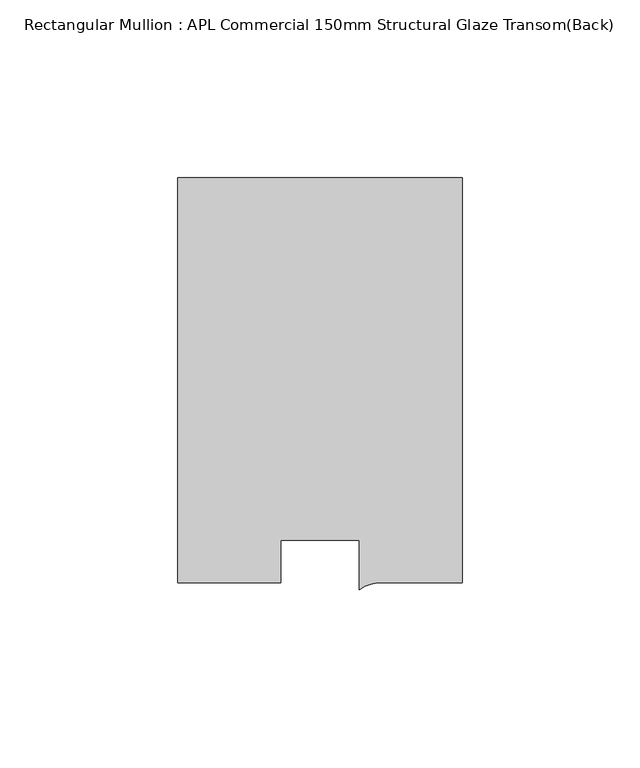
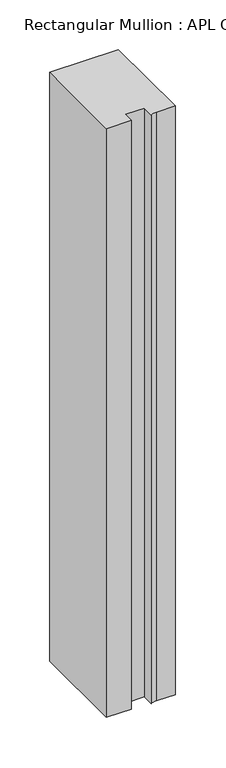
"""IFC4 building model written with IfcOpenShell, lengths in millimetres: member geometry, Rectangular Mullion : APL Commercial 150mm Structural Glaze Transom(Back)."""

from ifc_helpers import new_model, si_unit, point, frame, frame_2d, origin, place, context, project, spatial, polyline, circle_curve, trimmed, segment, composite_curve, outline, extrude, source, transform, mapped, element, save


def rectangular_mullion_apl_commercial_150mm_structural_glaze_705f1d4c(model_context):
    return source(origin(), model_context, "Body", "SweptSolid", [
        extrude(outline(composite_curve([segment(polyline([(40.0, 128.9999975), (40.0, 15.0000829), (17.9999542, 15.0000829)]), True, "CONTINUOUS"), segment(trimmed(circle_curve(frame_2d((17.1097719, 4.581653)), 10.4563907), [point((17.9999542, 15.0000829))], [point((11.0000151, 13.0673455))], True, "CARTESIAN"), True, "CONTINUOUS"), segment(polyline([(11.0000151, 13.0673455), (11.0000151, 27.0), (-11.0000151, 27.0), (-11.0000151, 15.0000829), (-40.0, 15.0000829), (-40.0, 128.9999975), (40.0, 128.9999975)]), True, "CONTINUOUS")], self_intersect=False)), frame((0.0, 0.0, -724.000019), z_axis=(0.0, 0.0, 1.0), x_axis=(1.0, 0.0, 0.0)), (0.0, 0.0, 1.0), 724.000019),
    ])


if __name__ == "__main__":
    model = new_model("IFC4")
    model_context = context("Model", 3, world=origin())
    ifc_project = project(units=[si_unit("LENGTHUNIT", "METRE", prefix="MILLI")], contexts=[model_context])
    site = spatial("IfcSite", under=ifc_project)
    building = spatial("IfcBuilding", under=site)
    placement = place(None, origin())
    rectangular_mullion_apl_commercial_150mm_structural_glaze_shape = rectangular_mullion_apl_commercial_150mm_structural_glaze_705f1d4c(model_context)
    element("IfcMember", 1, ObjectType="Rectangular Mullion : APL Commercial 150mm Structural Glaze Transom(Back)", at=placement, inside=building, context=model_context, shape_type="MappedRepresentation", body=[
        mapped(rectangular_mullion_apl_commercial_150mm_structural_glaze_shape, transform((0.0, 0.0, 0.0), x_axis=(1.0, 0.0, 0.0), y_axis=(0.0, 1.0, 0.0), z_axis=(0.0, 0.0, 1.0))),
    ])
    save(model, "model.ifc")
